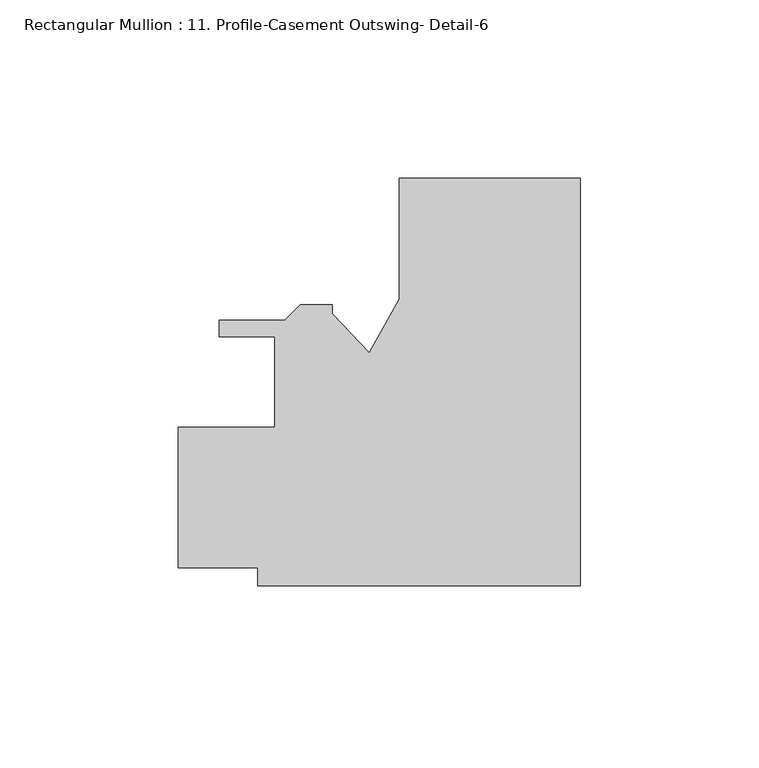
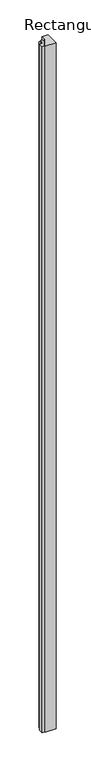
"""IFC4 building model written with IfcOpenShell, lengths in millimetres: member geometry, Rectangular Mullion : 11. Profile-Casement Outswing- Detail-6."""

from ifc_helpers import new_model, si_unit, frame, origin, place, context, project, spatial, polyline, outline, extrude, source, transform, mapped, element, save


def rectangular_mullion_11_profile_casement_outswing_detail_6_0651a1b5(model_context):
    return source(origin(), model_context, "Body", "SweptSolid", [
        extrude(outline(polyline([(0.0, 57.1565722), (0.0, -57.1434912), (-90.4875, -57.1434912), (-90.4875, -52.0634277), (-112.7125, -52.0634277), (-112.7125, -12.6934279), (-85.7250005, -12.6934279), (-85.7250005, 12.7065721), (-101.2221564, 12.7065721), (-101.2221564, 17.4055723), (-82.8436417, 17.4055723), (-78.5764417, 21.6727723), (-69.4761495, 21.6727723), (-69.4761495, 19.1327724), (-59.1458639, 8.2859725), (-50.8, 23.1967724), (-50.8, 57.1565723), (0.0, 57.1565722)])), frame((0.0, 0.0, -6096.0), z_axis=(0.0, 0.0, 1.0), x_axis=(1.0, 0.0, 0.0)), (0.0, 0.0, 1.0), 6096.0),
    ])


if __name__ == "__main__":
    model = new_model("IFC4")
    model_context = context("Model", 3, world=origin())
    ifc_project = project(units=[si_unit("LENGTHUNIT", "METRE", prefix="MILLI")], contexts=[model_context])
    site = spatial("IfcSite", under=ifc_project)
    building = spatial("IfcBuilding", under=site)
    placement = place(None, origin())
    rectangular_mullion_11_profile_casement_outswing_detail_6_shape = rectangular_mullion_11_profile_casement_outswing_detail_6_0651a1b5(model_context)
    element("IfcMember", 1, ObjectType="Rectangular Mullion : 11. Profile-Casement Outswing- Detail-6", at=placement, inside=building, context=model_context, shape_type="MappedRepresentation", body=[
        mapped(rectangular_mullion_11_profile_casement_outswing_detail_6_shape, transform((0.0, 0.0, 0.0), x_axis=(1.0, 0.0, 0.0), y_axis=(0.0, 1.0, 0.0), z_axis=(0.0, 0.0, 1.0))),
    ])
    save(model, "model.ifc")
